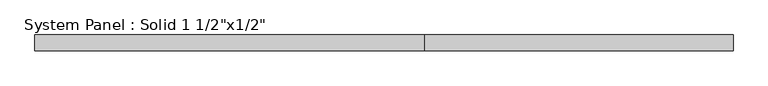
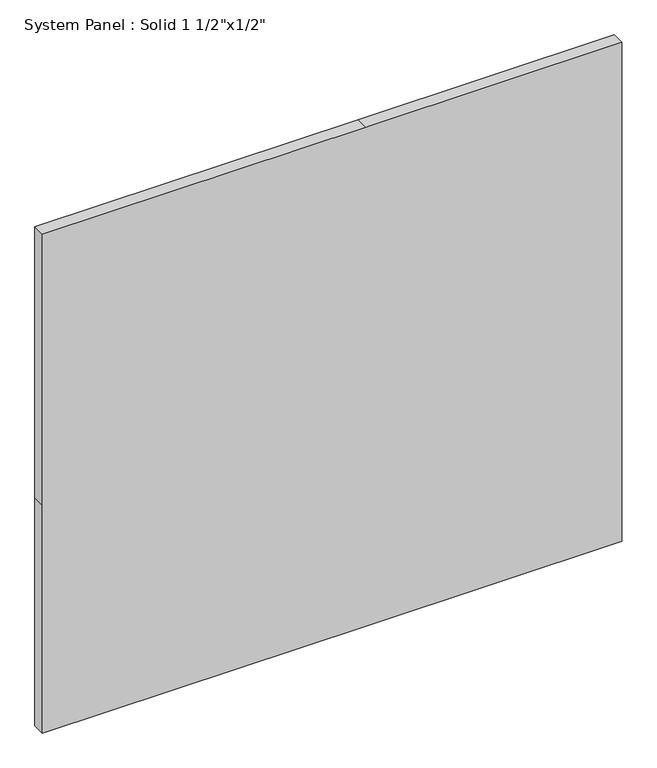
"""IFC4 building model written with IfcOpenShell, lengths in millimetres: plate geometry."""

from ifc_helpers import new_model, si_unit, frame, origin, place, context, project, spatial, polyline, outline, extrude, source, transform, mapped, element, save


def plate_232590cb(model_context):
    return source(origin(), model_context, "Body", "SweptSolid", [
        extrude(outline(polyline([(0.0, -847.725), (0.0, 98.425), (0.0, 847.725), (704.85, 847.725), (1543.5220775, 847.725), (1543.5220775, 98.425), (1543.5220775, -847.725), (704.85, -847.725), (0.0, -847.725)])), frame((0.0, -6.35, 0.0), z_axis=(0.0, 1.0, 0.0), x_axis=(0.0, 0.0, 1.0)), (0.0, 0.0, 1.0), 38.1),
    ])


if __name__ == "__main__":
    model = new_model("IFC4")
    model_context = context("Model", 3, world=origin())
    ifc_project = project(units=[si_unit("LENGTHUNIT", "METRE", prefix="MILLI")], contexts=[model_context])
    site = spatial("IfcSite", under=ifc_project)
    building = spatial("IfcBuilding", under=site)
    placement = place(None, origin())
    plate_shape = plate_232590cb(model_context)
    element("IfcPlate", 1, ObjectType="System Panel : Solid 1 1/2\"x1/2\"", at=placement, inside=building, context=model_context, shape_type="MappedRepresentation", body=[
        mapped(plate_shape, transform((0.0, 0.0, 0.0), x_axis=(1.0, 0.0, 0.0), y_axis=(0.0, 1.0, 0.0), z_axis=(0.0, 0.0, 1.0))),
    ])
    save(model, "model.ifc")
